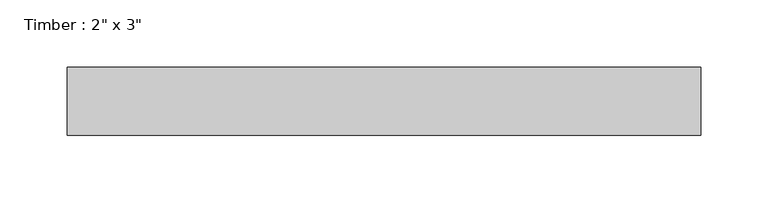
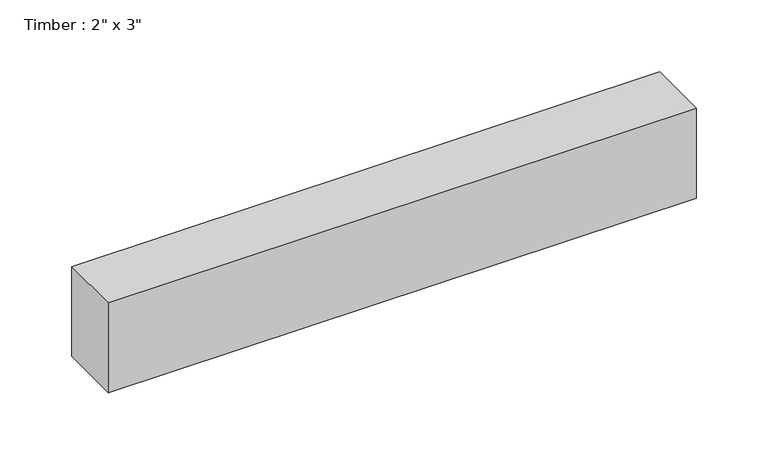
"""IFC4 building model written with IfcOpenShell, lengths in millimetres: beam geometry."""

from ifc_helpers import new_model, si_unit, frame, origin, place, context, project, spatial, polyline, outline, extrude, source, transform, mapped, element, save


def beam_923b1035(model_context):
    return source(origin(), model_context, "Body", "SweptSolid", [
        extrude(outline(polyline([(235.8060679, 25.4), (235.8060679, -25.4), (-235.8060679, -25.4), (-235.8060679, 25.4), (235.8060679, 25.4)])), frame((0.0, 0.0, -38.1), z_axis=(0.0, 0.0, 1.0), x_axis=(1.0, 0.0, 0.0)), (0.0, 0.0, 1.0), 76.2),
    ])


if __name__ == "__main__":
    model = new_model("IFC4")
    model_context = context("Model", 3, world=origin())
    ifc_project = project(units=[si_unit("LENGTHUNIT", "METRE", prefix="MILLI")], contexts=[model_context])
    site = spatial("IfcSite", under=ifc_project)
    building = spatial("IfcBuilding", under=site)
    placement = place(None, origin())
    beam_shape = beam_923b1035(model_context)
    element("IfcBeam", 1, ObjectType="Timber : 2\" x 3\"", at=placement, inside=building, context=model_context, shape_type="MappedRepresentation", body=[
        mapped(beam_shape, transform((0.0, 0.0, 0.0), x_axis=(1.0, 0.0, 0.0), y_axis=(0.0, 1.0, 0.0), z_axis=(0.0, 0.0, 1.0))),
    ])
    save(model, "model.ifc")
